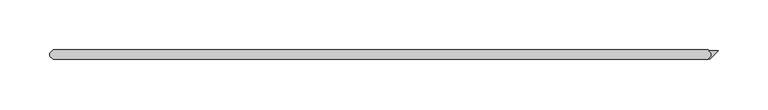
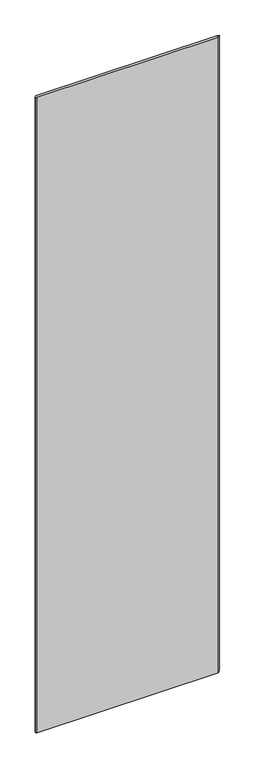
"""IFC4 building model written with IfcOpenShell, lengths in millimetres: plate geometry."""

from ifc_helpers import new_model, si_unit, origin, origin_with_axes, place, context, project, spatial, polyline, outline, extrude, source, transform, mapped, element, save


def plate_515af3cc(model_context):
    return source(origin(), model_context, "Body", "SweptSolid", [
        extrude(outline(polyline([(344.555593, 31.75), (342.174343, 34.13125), (351.234375, 34.13125), (342.735609, 25.632484), (342.174343, 26.19375), (344.555593, 28.575), (344.555593, 31.75)])), origin_with_axes(), (0.0, 0.0, 1.0), 2428.7789267),
        extrude(outline(polyline([(341.380593, 34.925), (344.555593, 31.75), (344.555593, 28.575), (341.380593, 25.4), (-313.928125, 25.4), (-317.103125, 28.575), (-317.103125, 31.75), (-313.928125, 34.925), (341.380593, 34.925)])), origin_with_axes(), (0.0, 0.0, 1.0), 2428.7789267),
    ])


if __name__ == "__main__":
    model = new_model("IFC4")
    model_context = context("Model", 3, world=origin())
    ifc_project = project(units=[si_unit("LENGTHUNIT", "METRE", prefix="MILLI")], contexts=[model_context])
    site = spatial("IfcSite", under=ifc_project)
    building = spatial("IfcBuilding", under=site)
    placement = place(None, origin())
    plate_shape = plate_515af3cc(model_context)
    element("IfcPlate", 1, at=placement, inside=building, context=model_context, shape_type="MappedRepresentation", body=[
        mapped(plate_shape, transform((0.0, 0.0, 0.0), x_axis=(1.0, 0.0, 0.0), y_axis=(0.0, 1.0, 0.0), z_axis=(0.0, 0.0, 1.0))),
    ])
    save(model, "model.ifc")
